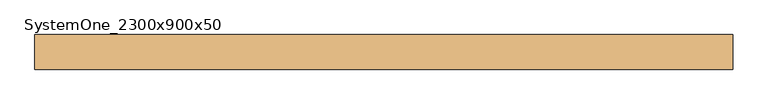
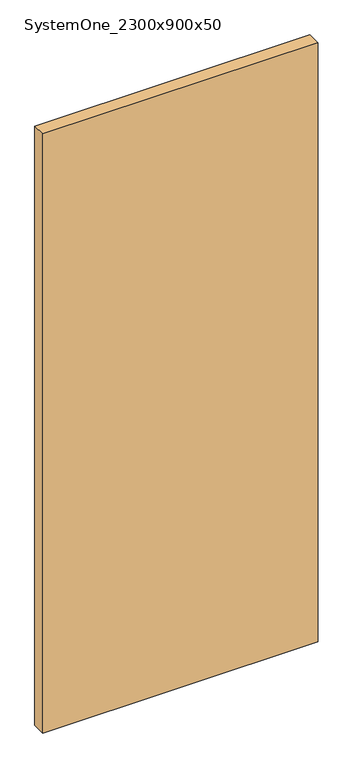
"""IFC4 building model written with IfcOpenShell, lengths in millimetres: door geometry, SystemOne_2300x900x50."""

from ifc_helpers import new_model, si_unit, frame, origin, place, context, project, spatial, polyline, outline, extrude, source, transform, mapped, element, save


def systemone_2300x900x50_7e851a71(model_context):
    return source(origin(), model_context, "Body", "SweptSolid", [
        extrude(outline(polyline([(900.0, -25.0), (-100.0, -25.0), (-100.0, 25.0), (900.0, 25.0), (900.0, -25.0)])), frame((0.0, 0.0, 13.0), z_axis=(0.0, 0.0, 1.0), x_axis=(1.0, 0.0, 0.0)), (0.0, 0.0, 1.0), 2300.0),
    ])


if __name__ == "__main__":
    model = new_model("IFC4")
    model_context = context("Model", 3, world=origin())
    ifc_project = project(units=[si_unit("LENGTHUNIT", "METRE", prefix="MILLI")], contexts=[model_context])
    site = spatial("IfcSite", under=ifc_project)
    building = spatial("IfcBuilding", under=site)
    placement = place(None, origin())
    systemone_2300x900x50_shape = systemone_2300x900x50_7e851a71(model_context)
    element("IfcDoor", 1, ObjectType="SystemOne_2300x900x50", at=placement, inside=building, context=model_context, shape_type="MappedRepresentation", body=[
        mapped(systemone_2300x900x50_shape, transform((0.0, 0.0, 0.0), x_axis=(1.0, 0.0, 0.0), y_axis=(0.0, 1.0, 0.0), z_axis=(0.0, 0.0, 1.0))),
    ])
    save(model, "model.ifc")
